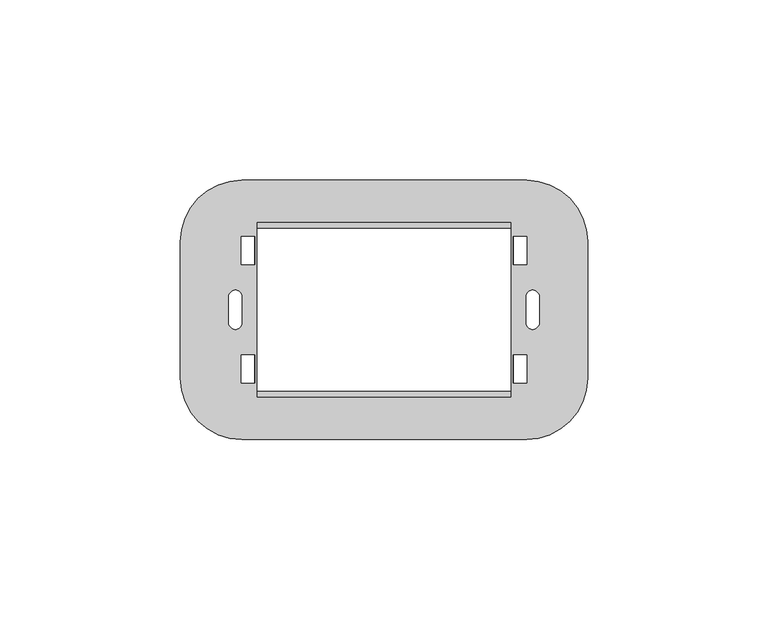
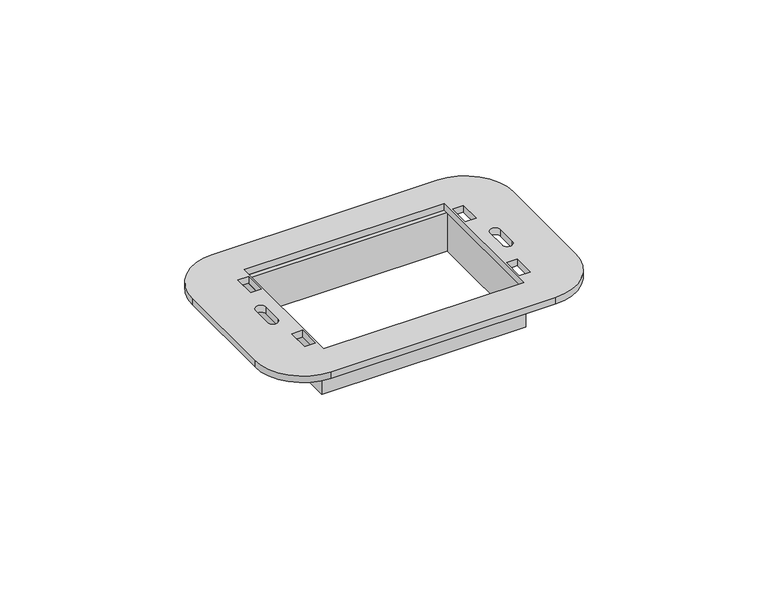
"""IFC4 building model written with IfcOpenShell, lengths in millimetres: proxy geometry."""

from ifc_helpers import new_model, si_unit, point, frame, frame_2d, origin, place, context, project, spatial, polyline, circle_curve, trimmed, segment, composite_curve, outline, extrude, source, transform, mapped, element, save


def electrical_fixtures_ee8b6eab(model_context):
    return source(origin(), model_context, "Body", "SweptSolid", [
        extrude(outline(composite_curve([segment(polyline([(-39.4937879, 35.9334115), (39.4937879, 35.9334115)]), True, "CONTINUOUS"), segment(trimmed(circle_curve(frame_2d((39.4937879, 19.0022554)), 16.9311561), [point((39.4937879, 35.9334115))], [point((56.424944, 19.0022554))], False, "CARTESIAN"), True, "CONTINUOUS"), segment(polyline([(56.424944, 19.0022554), (56.424944, -19.0022554)]), True, "CONTINUOUS"), segment(trimmed(circle_curve(frame_2d((39.4931131, -19.0022554)), 16.9318308), [point((56.424944, -19.0022554))], [point((39.4931131, -35.9340862))], False, "CARTESIAN"), True, "CONTINUOUS"), segment(polyline([(39.4931131, -35.9340862), (-39.495027, -35.9340862)]), True, "CONTINUOUS"), segment(trimmed(circle_curve(frame_2d((-39.495027, -19.0017602)), 16.932326), [point((-39.495027, -35.9340862))], [point((-56.4273503, -18.9922029))], False, "CARTESIAN"), True, "CONTINUOUS"), segment(polyline([(-56.4273503, -18.9922029), (-56.4273503, 18.9998491)]), True, "CONTINUOUS"), segment(trimmed(circle_curve(frame_2d((-39.4937879, 18.9998491)), 16.9335624), [point((-56.4273503, 18.9998491))], [point((-39.4937879, 35.9334115))], False, "CARTESIAN"), True, "CONTINUOUS")], self_intersect=False), holes=[composite_curve([segment(trimmed(circle_curve(frame_2d((-41.187568, -3.621174)), 1.812568), [point((-43.0001361, -3.621174))], [point((-39.375, -3.621174))], True, "CARTESIAN"), True, "CONTINUOUS"), segment(polyline([(-39.375, -3.621174), (-39.375, 3.621174)]), True, "CONTINUOUS"), segment(trimmed(circle_curve(frame_2d((-41.187568, 3.621174)), 1.812568), [point((-39.375, 3.621174))], [point((-43.0001361, 3.621174))], True, "CARTESIAN"), True, "CONTINUOUS"), segment(polyline([(-43.0001361, 3.621174), (-43.0001361, -3.621174)]), True, "CONTINUOUS")], self_intersect=False), composite_curve([segment(polyline([(43.0001361, -3.621174), (43.0001361, 3.621174)]), True, "CONTINUOUS"), segment(trimmed(circle_curve(frame_2d((41.187568, 3.621174)), 1.812568), [point((43.0001361, 3.621174))], [point((39.375, 3.621174))], True, "CARTESIAN"), True, "CONTINUOUS"), segment(polyline([(39.375, 3.621174), (39.375, -3.621174)]), True, "CONTINUOUS"), segment(trimmed(circle_curve(frame_2d((41.187568, -3.621174)), 1.812568), [point((39.375, -3.621174))], [point((43.0001361, -3.621174))], True, "CARTESIAN"), True, "CONTINUOUS")], self_intersect=False), polyline([(35.801415, 12.5631806), (39.5912992, 12.5631806), (39.5912992, 20.3036424), (35.801415, 20.3036424), (35.801415, 12.5631806)]), polyline([(35.801415, -12.5631806), (35.801415, -20.3036424), (39.5912992, -20.3036424), (39.5912992, -12.5631806), (35.801415, -12.5631806)]), polyline([(-35.801415, 12.5631806), (-35.801415, 20.3036424), (-39.5912992, 20.3036424), (-39.5912992, 12.5631806), (-35.801415, 12.5631806)]), polyline([(-35.801415, -12.5631806), (-39.5912992, -12.5631806), (-39.5912992, -20.3036424), (-35.801415, -20.3036424), (-35.801415, -12.5631806)]), polyline([(35.176415, 24.2), (-35.176415, 24.2), (-35.176415, -24.2), (35.176415, -24.2), (35.176415, 24.2)])]), frame((0.0, 0.0, -0.0122942), z_axis=(0.0, 0.0, 1.0), x_axis=(1.0, 0.0, 0.0)), (0.0, 0.0, 1.0), 2.449795),
        extrude(outline(polyline([(-35.801415, 24.2), (35.801415, 24.2), (35.801415, -24.2), (-35.801415, -24.2), (-35.801415, 24.2)]), holes=[polyline([(-35.176415, 22.5), (-35.176415, -22.5), (35.176415, -22.5), (35.176415, 22.5), (-35.176415, 22.5)])]), frame((0.0, 0.0, -14.3051196), z_axis=(0.0, 0.0, 1.0), x_axis=(1.0, 0.0, 0.0)), (0.0, 0.0, 1.0), 14.2928254),
    ])


if __name__ == "__main__":
    model = new_model("IFC4")
    model_context = context("Model", 3, world=origin())
    ifc_project = project(units=[si_unit("LENGTHUNIT", "METRE", prefix="MILLI")], contexts=[model_context])
    site = spatial("IfcSite", under=ifc_project)
    building = spatial("IfcBuilding", under=site)
    placement = place(None, origin())
    electrical_fixtures_shape = electrical_fixtures_ee8b6eab(model_context)
    element("IfcBuildingElementProxy", 1, Name="Electrical Fixtures", at=placement, inside=building, context=model_context, shape_type="MappedRepresentation", body=[
        mapped(electrical_fixtures_shape, transform((0.0, 0.0, 0.0), x_axis=(1.0, 0.0, 0.0), y_axis=(0.0, 1.0, 0.0), z_axis=(0.0, 0.0, 1.0))),
    ])
    save(model, "model.ifc")
